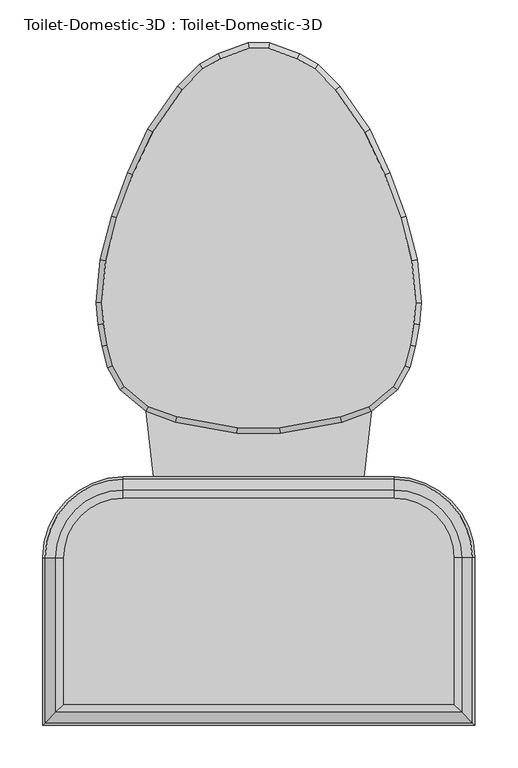
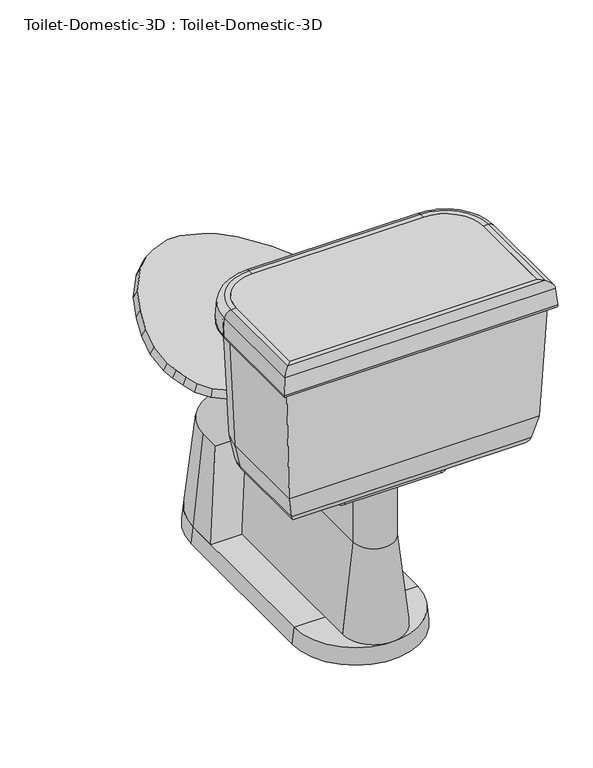
"""IFC4 building model written with IfcOpenShell, lengths in millimetres: flow terminal geometry, Toilet-Domestic-3D : Toilet-Domestic-3D."""

from ifc_helpers import new_model, si_unit, point, frame, frame_2d, origin, place, context, project, spatial, polyline, circle_curve, ellipse_curve, trimmed, segment, composite_curve, outline, extrude, faceted_brep, source, transform, mapped, element, save
from ifc_brep_helpers import plane_surface, cylinder_surface, revolved_surface, advanced_brep


def toilet_domestic_3d_toilet_domestic_3d_a08e12bc(model_context):
    return source(origin(), model_context, "Body", "SolidModel", [
        advanced_brep(
        [(-117.7636364, -285.75, 0.0), (-114.3, -285.75, 31.75), (-38.1, -285.75, 31.75), (-38.1, -285.75, 0.0), (117.7636364, -285.75, 0.0), (38.1, -285.75, 0.0), (38.1, -285.75, 31.75), (114.3, -285.75, 31.75)],
        [
            (0, 1),
            (1, 2),
            (2, 3),
            (3, 0),
            (4, 5),
            (5, 6),
            (6, 7),
            (7, 4),
            (4, 0, circle_curve(frame((0.0, -285.75, 0.0), z_axis=(0.0, 0.0, -1.0), x_axis=(-1.0, 0.0, 0.0)), 117.7636364)),
            (3, 5, circle_curve(frame((0.0, -285.75, 0.0), z_axis=(0.0, 0.0, 1.0), x_axis=(-1.0, 0.0, 0.0)), 38.1)),
            (2, 6, circle_curve(frame((0.0, -285.75, 31.75), z_axis=(0.0, 0.0, 1.0), x_axis=(-1.0, 0.0, 0.0)), 38.1)),
            (1, 7, circle_curve(frame((0.0, -285.75, 31.75), z_axis=(0.0, 0.0, 1.0), x_axis=(-1.0, 0.0, 0.0)), 114.3)),
        ],
        [
            plane_surface(frame((0.0, -285.75, -304.8), z_axis=(0.0, 1.0, 0.0), x_axis=(-1.0, 0.0, 0.0))),
            plane_surface(frame((0.0, -285.75, -304.8), z_axis=(0.0, 1.0, 0.0), x_axis=(1.0, 0.0, 0.0))),
            plane_surface(frame((0.0, -285.75, 0.0), z_axis=(0.0, 0.0, -1.0), x_axis=(-1.0, 0.0, 0.0))),
            revolved_surface(polyline([(-38.1, -285.75, 0.0), (-38.1, -285.75, 31.75)]), (0.0, -285.75, -304.8), (0.0, 0.0, -1.0)),
            plane_surface(frame((0.0, -285.75, 31.75), z_axis=(0.0, 0.0, 1.0), x_axis=(-1.0, 0.0, 0.0))),
            revolved_surface(polyline([(-114.3, -285.75, 31.75), (-117.7636364, -285.75, 0.0)]), (0.0, -285.75, -304.8), (0.0, 0.0, -1.0)),
        ],
        [
            (0, [[1, 2, 3, 4]]),
            (1, [[5, 6, 7, 8]]),
            (2, [[-5, 9, -4, 10]]),
            (3, [[-6, -10, -3, 11]]),
            (4, [[-7, -11, -2, 12]]),
            (5, [[-8, -12, -1, -9]]),
        ],
    ),
        advanced_brep(
        [(-38.1, -342.9, 206.375), (-38.1, -342.9, 31.75), (-57.15, -342.9, 31.75), (38.1, -342.9, 206.375), (57.15, -342.9, 31.75), (38.1, -342.9, 31.75)],
        [
            (0, 1),
            (1, 2),
            (2, 0),
            (3, 4),
            (4, 5),
            (5, 3),
            (3, 0, circle_curve(frame((0.0, -342.9, 206.375), z_axis=(0.0, 0.0, -1.0), x_axis=(-1.0, 0.0, 0.0)), 38.1)),
            (2, 4, circle_curve(frame((0.0, -342.9, 31.75), z_axis=(0.0, 0.0, 1.0), x_axis=(-1.0, 0.0, 0.0)), 57.15)),
            (1, 5, circle_curve(frame((0.0, -342.9, 31.75), z_axis=(0.0, 0.0, 1.0), x_axis=(-1.0, 0.0, 0.0)), 38.1)),
        ],
        [
            plane_surface(frame((0.0, -342.9, 31.75), z_axis=(0.0, 1.0, 0.0), x_axis=(-1.0, 0.0, 0.0))),
            plane_surface(frame((0.0, -342.9, 31.75), z_axis=(0.0, 1.0, 0.0), x_axis=(1.0, 0.0, 0.0))),
            revolved_surface(polyline([(-38.1, -342.9, 206.375), (-57.15, -342.9, 31.75)]), (0.0, -342.9, 31.75), (0.0, 0.0, -1.0)),
            plane_surface(frame((0.0, -342.9, 31.75), z_axis=(0.0, 0.0, -1.0), x_axis=(-1.0, 0.0, 0.0))),
            revolved_surface(polyline([(-38.1, -342.9, 31.75), (-38.1, -342.9, 206.375)]), (0.0, -342.9, 31.75), (0.0, 0.0, -1.0)),
        ],
        [
            (0, [[1, 2, 3]]),
            (1, [[4, 5, 6]]),
            (2, [[-4, 7, -3, 8]]),
            (3, [[-5, -8, -2, 9]]),
            (4, [[-6, -9, -1, -7]]),
        ],
    ),
        faceted_brep([(-157.6293435, -97.472128, 400.05), (-129.0942628, -121.4159037, 400.05), (-95.7755003, -133.5429415, 400.05), (-24.844447, -146.05, 400.05), (24.844447, -146.05, 400.05), (95.7755003, -133.5429415, 400.05), (129.0942628, -121.4159037, 400.05), (157.6293435, -97.472128, 400.05), (171.060664, -73.773864, 400.05), (177.5851102, -49.4242991, 400.05), (181.9845715, -24.4737144, 400.05), (184.125744, 0.0, 400.05), (179.7950716, 49.4998127, 400.05), (166.347, 99.688699, 400.05), (148.0469602, 149.9676451, 400.05), (124.7045808, 200.0255393, 400.05), (90.0971582, 249.9125941, 400.05), (65.691017, 274.3187354, 400.05), (44.8990862, 286.3229622, 400.05), (11.5803237, 298.45, 400.05), (-11.5803237, 298.45, 400.05), (-44.8990862, 286.3229622, 400.05), (-65.691017, 274.3187354, 400.05), (-90.0971582, 249.9125941, 400.05), (-124.7045808, 200.0255393, 400.05), (-148.0469602, 149.9676451, 400.05), (-166.347, 99.688699, 400.05), (-179.7950716, 49.4998127, 400.05), (-184.125744, 0.0, 400.05), (-181.9845715, -24.4737144, 400.05), (-177.5851102, -49.4242991, 400.05), (-171.060664, -73.773864, 400.05), (-162.5887836, -101.6, 387.2181453), (-176.9845865, -76.2, 387.2181453), (-183.790496, -50.8, 387.2181453), (-188.2862441, -25.3033453, 387.2181453), (-190.5, 0.0, 387.2181453), (-186.0724883, 50.6066907, 387.2181453), (-172.4088722, 101.6, 387.2181453), (-153.9191843, 152.4, 387.2181453), (-130.2307553, 203.2, 387.2181453), (-94.9900085, 254.0, 387.2181453), (-69.5900085, 279.4, 387.2181453), (-47.5929632, 292.1, 387.2181453), (-12.7, 304.8, 387.2181453), (12.7, 304.8, 387.2181453), (47.5929632, 292.1, 387.2181453), (69.5900085, 279.4, 387.2181453), (94.9900085, 254.0, 387.2181453), (130.2307553, 203.2, 387.2181453), (153.9191843, 152.4, 387.2181453), (172.4088722, 101.6, 387.2181453), (186.0724883, 50.6066907, 387.2181453), (190.5, 0.0, 387.2181453), (188.2862441, -25.3033453, 387.2181453), (183.790496, -50.8, 387.2181453), (176.9845865, -76.2, 387.2181453), (162.5887836, -101.6, 387.2181453), (132.3182423, -127.0, 387.2181453), (97.4252791, -139.7, 387.2181453), (25.4, -152.4, 387.2181453), (-25.4, -152.4, 387.2181453), (-97.4252791, -139.7, 387.2181453), (-132.3182423, -127.0, 387.2181453)], [[[0, 1, 2, 3, 4, 5, 6, 7, 8, 9, 10, 11, 12, 13, 14, 15, 16, 17, 18, 19, 20, 21, 22, 23, 24, 25, 26, 27, 28, 29, 30, 31]], [[32, 33, 34, 35, 36, 37, 38, 39, 40, 41, 42, 43, 44, 45, 46, 47, 48, 49, 50, 51, 52, 53, 54, 55, 56, 57, 58, 59, 60, 61, 62, 63]], [[32, 0, 31, 33]], [[33, 31, 30, 34]], [[34, 30, 29, 35]], [[35, 29, 28, 36]], [[36, 28, 27, 37]], [[37, 27, 26, 38]], [[38, 26, 25, 39]], [[39, 25, 24, 40]], [[40, 24, 23, 41]], [[41, 23, 22, 42]], [[42, 22, 21, 43]], [[43, 21, 20, 44]], [[44, 20, 19, 45]], [[45, 19, 18, 46]], [[46, 18, 17, 47]], [[47, 17, 16, 48]], [[48, 16, 15, 49]], [[49, 15, 14, 50]], [[50, 14, 13, 51]], [[51, 13, 12, 52]], [[52, 12, 11, 53]], [[53, 11, 10, 54]], [[54, 10, 9, 55]], [[55, 9, 8, 56]], [[56, 8, 7, 57]], [[57, 7, 6, 58]], [[58, 6, 5, 59]], [[59, 5, 4, 60]], [[60, 4, 3, 61]], [[61, 3, 2, 62]], [[62, 2, 1, 63]], [[63, 1, 0, 32]]]),
        extrude(outline(composite_curve([segment(polyline([(228.5868869, -469.8868869), (-228.5868869, -469.8868869), (-228.5868869, -298.45)]), True, "CONTINUOUS"), segment(trimmed(circle_curve(frame_2d((-158.75, -298.45)), 69.8368869), [point((-228.5868869, -298.45))], [point((-158.75, -228.6131131))], False, "CARTESIAN"), True, "CONTINUOUS"), segment(polyline([(-158.75, -228.6131131), (158.75, -228.6131131)]), True, "CONTINUOUS"), segment(trimmed(circle_curve(frame_2d((158.75, -298.45)), 69.8368869), [point((158.75, -228.6131131))], [point((228.5868869, -298.45))], False, "CARTESIAN"), True, "CONTINUOUS"), segment(polyline([(228.5868869, -298.45), (228.5868869, -469.8868869)]), True, "CONTINUOUS")], self_intersect=False)), frame((0.0, 0.0, 654.05), z_axis=(0.0, 0.0, 1.0), x_axis=(1.0, 0.0, 0.0)), (0.0, 0.0, 1.0), 50.8),
        extrude(outline(composite_curve([segment(polyline([(-38.1, -342.9), (38.1, -342.9)]), True, "CONTINUOUS"), segment(trimmed(circle_curve(frame_2d((0.0, -342.9)), 38.1), [point((38.1, -342.9))], [point((-38.1, -342.9))], False, "CARTESIAN"), True, "CONTINUOUS")], self_intersect=False)), frame((0.0, 0.0, 206.375), z_axis=(0.0, 0.0, 1.0), x_axis=(1.0, 0.0, 0.0)), (0.0, 0.0, 1.0), 130.175),
        advanced_brep(
        [(177.8, -419.1, 387.2181453), (177.8, -298.45, 387.2181453), (177.8, -298.45, 374.65), (177.8, -419.1, 374.65), (192.8020829, -434.1020829, 387.2181453), (192.8020829, -298.45, 387.2181453), (211.4650931, -452.7650931, 402.4478636), (211.4650931, -298.45, 402.4478636), (218.7732506, -460.0732506, 438.15), (218.7732506, -298.45, 438.15), (228.5868869, -469.8868869, 654.05), (228.5868869, -298.45, 654.05), (228.5868869, -469.8868869, 704.85), (228.5868869, -298.45, 704.85), (237.91817, -479.21817, 704.85), (237.91817, -298.45, 704.85), (250.5698426, -491.8698426, 693.2568779), (250.5698426, -298.45, 693.2568779), (253.3960274, -494.6960274, 660.953439), (253.3960274, -298.45, 660.953439), (247.070191, -488.370191, 654.05), (247.070191, -298.45, 654.05), (241.3, -482.6, 654.05), (241.3, -298.45, 654.05), (231.4863636, -472.7863636, 438.15), (231.4863636, -298.45, 438.15), (222.3416824, -463.6416824, 393.4759963), (222.3416824, -298.45, 393.4759963), (197.8071664, -439.1071664, 374.65), (197.8071664, -298.45, 374.65), (158.75, -279.4, 387.2181453), (158.75, -279.4, 374.65), (158.75, -264.3979171, 387.2181453), (158.75, -245.7349069, 402.4478636), (158.75, -238.4267494, 438.15), (158.75, -228.6131131, 654.05), (158.75, -228.6131131, 704.85), (158.75, -219.28183, 704.85), (158.75, -206.6301574, 693.2568779), (158.75, -203.8039726, 660.953439), (158.75, -210.129809, 654.05), (158.75, -215.9, 654.05), (158.75, -225.7136364, 438.15), (158.75, -234.8583176, 393.4759963), (158.75, -259.3928336, 374.65), (-158.75, -279.4, 387.2181453), (-158.75, -279.4, 374.65), (-158.75, -264.3979171, 387.2181453), (-158.75, -245.7349069, 402.4478636), (-158.75, -238.4267494, 438.15), (-158.75, -228.6131131, 654.05), (-158.75, -228.6131131, 704.85), (-158.75, -219.28183, 704.85), (-158.75, -206.6301574, 693.2568779), (-158.75, -203.8039726, 660.953439), (-158.75, -210.129809, 654.05), (-158.75, -215.9, 654.05), (-158.75, -225.7136364, 438.15), (-158.75, -234.8583176, 393.4759963), (-158.75, -259.3928336, 374.65), (-177.8, -298.45, 387.2181453), (-177.8, -298.45, 374.65), (-192.8020829, -298.45, 387.2181453), (-211.4650931, -298.45, 402.4478636), (-218.7732506, -298.45, 438.15), (-228.5868869, -298.45, 654.05), (-228.5868869, -298.45, 704.85), (-237.91817, -298.45, 704.85), (-250.5698426, -298.45, 693.2568779), (-253.3960274, -298.45, 660.953439), (-247.070191, -298.45, 654.05), (-241.3, -298.45, 654.05), (-231.4863636, -298.45, 438.15), (-222.3416824, -298.45, 393.4759963), (-197.8071664, -298.45, 374.65), (-177.8, -419.1, 387.2181453), (-177.8, -419.1, 374.65), (-192.8020829, -434.1020829, 387.2181453), (-211.4650931, -452.7650931, 402.4478636), (-218.7732506, -460.0732506, 438.15), (-228.5868869, -469.8868869, 654.05), (-228.5868869, -469.8868869, 704.85), (-237.91817, -479.21817, 704.85), (-250.5698426, -491.8698426, 693.2568779), (-253.3960274, -494.6960274, 660.953439), (-247.070191, -488.370191, 654.05), (-241.3, -482.6, 654.05), (-231.4863636, -472.7863636, 438.15), (-222.3416824, -463.6416824, 393.4759963), (-197.8071664, -439.1071664, 374.65)],
        [
            (0, 1),
            (1, 2),
            (2, 3),
            (3, 0),
            (4, 5),
            (5, 1),
            (0, 4),
            (6, 7),
            (7, 5, circle_curve(frame((192.8020829, -298.45, 406.2681453), z_axis=(0.0, 1.0, 0.0), x_axis=(1.0, 0.0, 0.0)), 19.05)),
            (4, 6, ellipse_curve(frame((192.8020829, -434.1020829, 406.2681453), z_axis=(-0.7071067811865451, -0.7071067811865498, 0.0), x_axis=(-0.7071067811865497, 0.7071067811865452, 0.0)), 26.9407684, 19.05)),
            (8, 9),
            (9, 7),
            (6, 8),
            (10, 11),
            (11, 9),
            (8, 10),
            (12, 13),
            (13, 11),
            (10, 12),
            (14, 15),
            (15, 13),
            (12, 14),
            (16, 17),
            (17, 15, circle_curve(frame((237.91817, -298.45, 692.15), z_axis=(0.0, -1.0, 0.0), x_axis=(1.0, 0.0, 0.0)), 12.7)),
            (14, 16, ellipse_curve(frame((237.91817, -479.21817, 692.15), z_axis=(0.7071067811865451, 0.7071067811865498, 0.0), x_axis=(0.7071067811865497, -0.7071067811865452, 0.0)), 17.9605122, 12.7)),
            (18, 19),
            (19, 17),
            (16, 18),
            (20, 21),
            (21, 19, circle_curve(frame((247.070191, -298.45, 660.4), z_axis=(0.0, -1.0, 0.0), x_axis=(1.0, 0.0, 0.0)), 6.35)),
            (18, 20, ellipse_curve(frame((247.070191, -488.370191, 660.4), z_axis=(0.7071067811865451, 0.7071067811865498, 0.0), x_axis=(0.7071067811865497, -0.7071067811865452, 0.0)), 8.9802561, 6.35)),
            (22, 23),
            (23, 21),
            (20, 22),
            (24, 25),
            (25, 23),
            (22, 24),
            (26, 27),
            (27, 25),
            (24, 26),
            (28, 29),
            (29, 27, circle_curve(frame((197.8071664, -298.45, 400.05), z_axis=(0.0, -1.0, 0.0), x_axis=(1.0, 0.0, 0.0)), 25.4)),
            (26, 28, ellipse_curve(frame((197.8071664, -439.1071664, 400.05), z_axis=(0.7071067811865451, 0.7071067811865498, 0.0), x_axis=(0.7071067811865497, -0.7071067811865452, 0.0)), 35.9210245, 25.4)),
            (2, 29),
            (28, 3),
            (30, 31),
            (31, 2, circle_curve(frame((158.75, -298.45, 374.65), z_axis=(0.0, 0.0, -1.0), x_axis=(1.0, 0.0, 0.0)), 19.05)),
            (1, 30, circle_curve(frame((158.75, -298.45, 387.2181453), z_axis=(0.0, 0.0, 1.0), x_axis=(1.0, 0.0, 0.0)), 19.05)),
            (32, 30),
            (5, 32, circle_curve(frame((158.75, -298.45, 387.2181453), z_axis=(0.0, 0.0, 1.0), x_axis=(1.0, 0.0, 0.0)), 34.0520829)),
            (33, 32, circle_curve(frame((158.75, -264.3979171, 406.2681453), z_axis=(-1.0, 0.0, 0.0), x_axis=(0.0, 1.0, 0.0)), 19.05)),
            (7, 33, circle_curve(frame((158.75, -298.45, 402.4478636), z_axis=(0.0, 0.0, 1.0), x_axis=(1.0, 0.0, 0.0)), 52.7150931)),
            (34, 33),
            (9, 34, circle_curve(frame((158.75, -298.45, 438.15), z_axis=(0.0, 0.0, 1.0), x_axis=(1.0, 0.0, 0.0)), 60.0232506)),
            (35, 34),
            (11, 35, circle_curve(frame((158.75, -298.45, 654.05), z_axis=(0.0, 0.0, 1.0), x_axis=(1.0, 0.0, 0.0)), 69.8368869)),
            (36, 35),
            (13, 36, circle_curve(frame((158.75, -298.45, 704.85), z_axis=(0.0, 0.0, 1.0), x_axis=(1.0, 0.0, 0.0)), 69.8368869)),
            (37, 36),
            (15, 37, circle_curve(frame((158.75, -298.45, 704.85), z_axis=(0.0, 0.0, 1.0), x_axis=(1.0, 0.0, 0.0)), 79.16817)),
            (38, 37, circle_curve(frame((158.75, -219.28183, 692.15), z_axis=(1.0, 0.0, 0.0), x_axis=(0.0, 1.0, 0.0)), 12.7)),
            (17, 38, circle_curve(frame((158.75, -298.45, 693.2568779), z_axis=(0.0, 0.0, 1.0), x_axis=(1.0, 0.0, 0.0)), 91.8198426)),
            (39, 38),
            (19, 39, circle_curve(frame((158.75, -298.45, 660.953439), z_axis=(0.0, 0.0, 1.0), x_axis=(1.0, 0.0, 0.0)), 94.6460274)),
            (40, 39, circle_curve(frame((158.75, -210.129809, 660.4), z_axis=(1.0, 0.0, 0.0), x_axis=(0.0, 1.0, 0.0)), 6.35)),
            (21, 40, circle_curve(frame((158.75, -298.45, 654.05), z_axis=(0.0, 0.0, 1.0), x_axis=(1.0, 0.0, 0.0)), 88.320191)),
            (41, 40),
            (23, 41, circle_curve(frame((158.75, -298.45, 654.05), z_axis=(0.0, 0.0, 1.0), x_axis=(1.0, 0.0, 0.0)), 82.55)),
            (42, 41),
            (25, 42, circle_curve(frame((158.75, -298.45, 438.15), z_axis=(0.0, 0.0, 1.0), x_axis=(1.0, 0.0, 0.0)), 72.7363636)),
            (43, 42),
            (27, 43, circle_curve(frame((158.75, -298.45, 393.4759963), z_axis=(0.0, 0.0, 1.0), x_axis=(1.0, 0.0, 0.0)), 63.5916824)),
            (44, 43, circle_curve(frame((158.75, -259.3928336, 400.05), z_axis=(1.0, 0.0, 0.0), x_axis=(0.0, 1.0, 0.0)), 25.4)),
            (29, 44, circle_curve(frame((158.75, -298.45, 374.65), z_axis=(0.0, 0.0, 1.0), x_axis=(1.0, 0.0, 0.0)), 39.0571664)),
            (31, 44),
            (30, 45),
            (45, 46),
            (46, 31),
            (32, 47),
            (47, 45),
            (33, 48),
            (48, 47, circle_curve(frame((-158.75, -264.3979171, 406.2681453), z_axis=(-1.0, 0.0, 0.0), x_axis=(0.0, 1.0, 0.0)), 19.05)),
            (34, 49),
            (49, 48),
            (35, 50),
            (50, 49),
            (36, 51),
            (51, 50),
            (37, 52),
            (52, 51),
            (38, 53),
            (53, 52, circle_curve(frame((-158.75, -219.28183, 692.15), z_axis=(1.0, 0.0, 0.0), x_axis=(0.0, 1.0, 0.0)), 12.7)),
            (39, 54),
            (54, 53),
            (40, 55),
            (55, 54, circle_curve(frame((-158.75, -210.129809, 660.4), z_axis=(1.0, 0.0, 0.0), x_axis=(0.0, 1.0, 0.0)), 6.35)),
            (41, 56),
            (56, 55),
            (42, 57),
            (57, 56),
            (43, 58),
            (58, 57),
            (44, 59),
            (59, 58, circle_curve(frame((-158.75, -259.3928336, 400.05), z_axis=(1.0, 0.0, 0.0), x_axis=(0.0, 1.0, 0.0)), 25.4)),
            (46, 59),
            (60, 61),
            (61, 46, circle_curve(frame((-158.75, -298.45, 374.65), z_axis=(0.0, 0.0, -1.0), x_axis=(0.0, 1.0, 0.0)), 19.05)),
            (45, 60, circle_curve(frame((-158.75, -298.45, 387.2181453), z_axis=(0.0, 0.0, 1.0), x_axis=(0.0, 1.0, 0.0)), 19.05)),
            (62, 60),
            (47, 62, circle_curve(frame((-158.75, -298.45, 387.2181453), z_axis=(0.0, 0.0, 1.0), x_axis=(0.0, 1.0, 0.0)), 34.0520829)),
            (63, 62, circle_curve(frame((-192.8020829, -298.45, 406.2681453), z_axis=(0.0, -1.0, 0.0), x_axis=(-1.0, 0.0, 0.0)), 19.05)),
            (48, 63, circle_curve(frame((-158.75, -298.45, 402.4478636), z_axis=(0.0, 0.0, 1.0), x_axis=(0.0, 1.0, 0.0)), 52.7150931)),
            (64, 63),
            (49, 64, circle_curve(frame((-158.75, -298.45, 438.15), z_axis=(0.0, 0.0, 1.0), x_axis=(0.0, 1.0, 0.0)), 60.0232506)),
            (65, 64),
            (50, 65, circle_curve(frame((-158.75, -298.45, 654.05), z_axis=(0.0, 0.0, 1.0), x_axis=(0.0, 1.0, 0.0)), 69.8368869)),
            (66, 65),
            (51, 66, circle_curve(frame((-158.75, -298.45, 704.85), z_axis=(0.0, 0.0, 1.0), x_axis=(0.0, 1.0, 0.0)), 69.8368869)),
            (67, 66),
            (52, 67, circle_curve(frame((-158.75, -298.45, 704.85), z_axis=(0.0, 0.0, 1.0), x_axis=(0.0, 1.0, 0.0)), 79.16817)),
            (68, 67, circle_curve(frame((-237.91817, -298.45, 692.15), z_axis=(0.0, 1.0, 0.0), x_axis=(-1.0, 0.0, 0.0)), 12.7)),
            (53, 68, circle_curve(frame((-158.75, -298.45, 693.2568779), z_axis=(0.0, 0.0, 1.0), x_axis=(0.0, 1.0, 0.0)), 91.8198426)),
            (69, 68),
            (54, 69, circle_curve(frame((-158.75, -298.45, 660.953439), z_axis=(0.0, 0.0, 1.0), x_axis=(0.0, 1.0, 0.0)), 94.6460274)),
            (70, 69, circle_curve(frame((-247.070191, -298.45, 660.4), z_axis=(0.0, 1.0, 0.0), x_axis=(-1.0, 0.0, 0.0)), 6.35)),
            (55, 70, circle_curve(frame((-158.75, -298.45, 654.05), z_axis=(0.0, 0.0, 1.0), x_axis=(0.0, 1.0, 0.0)), 88.320191)),
            (71, 70),
            (56, 71, circle_curve(frame((-158.75, -298.45, 654.05), z_axis=(0.0, 0.0, 1.0), x_axis=(0.0, 1.0, 0.0)), 82.55)),
            (72, 71),
            (57, 72, circle_curve(frame((-158.75, -298.45, 438.15), z_axis=(0.0, 0.0, 1.0), x_axis=(0.0, 1.0, 0.0)), 72.7363636)),
            (73, 72),
            (58, 73, circle_curve(frame((-158.75, -298.45, 393.4759963), z_axis=(0.0, 0.0, 1.0), x_axis=(0.0, 1.0, 0.0)), 63.5916824)),
            (74, 73, circle_curve(frame((-197.8071664, -298.45, 400.05), z_axis=(0.0, 1.0, 0.0), x_axis=(-1.0, 0.0, 0.0)), 25.4)),
            (59, 74, circle_curve(frame((-158.75, -298.45, 374.65), z_axis=(0.0, 0.0, 1.0), x_axis=(0.0, 1.0, 0.0)), 39.0571664)),
            (61, 74),
            (60, 75),
            (75, 76),
            (76, 61),
            (62, 77),
            (77, 75),
            (63, 78),
            (78, 77, ellipse_curve(frame((-192.8020829, -434.1020829, 406.2681453), z_axis=(0.7071067811865498, -0.7071067811865451, 0.0), x_axis=(-0.7071067811865451, -0.70710678118655, 0.0)), 26.9407684, 19.05)),
            (64, 79),
            (79, 78),
            (65, 80),
            (80, 79),
            (66, 81),
            (81, 80),
            (67, 82),
            (82, 81),
            (68, 83),
            (83, 82, ellipse_curve(frame((-237.91817, -479.21817, 692.15), z_axis=(-0.7071067811865498, 0.7071067811865451, 0.0), x_axis=(0.7071067811865451, 0.70710678118655, 0.0)), 17.9605122, 12.7)),
            (69, 84),
            (84, 83),
            (70, 85),
            (85, 84, ellipse_curve(frame((-247.070191, -488.370191, 660.4), z_axis=(-0.7071067811865498, 0.7071067811865451, 0.0), x_axis=(0.7071067811865451, 0.70710678118655, 0.0)), 8.9802561, 6.35)),
            (71, 86),
            (86, 85),
            (72, 87),
            (87, 86),
            (73, 88),
            (88, 87),
            (74, 89),
            (89, 88, ellipse_curve(frame((-197.8071664, -439.1071664, 400.05), z_axis=(-0.7071067811865498, 0.7071067811865451, 0.0), x_axis=(0.7071067811865451, 0.70710678118655, 0.0)), 35.9210245, 25.4)),
            (76, 89),
            (75, 0),
            (3, 76),
            (77, 4),
            (78, 6),
            (79, 8),
            (80, 10),
            (81, 12),
            (82, 14),
            (83, 16),
            (84, 18),
            (85, 20),
            (86, 22),
            (87, 24),
            (88, 26),
            (89, 28),
        ],
        [
            plane_surface(frame((177.8, -419.1, 374.65), z_axis=(-1.0, 0.0, 0.0), x_axis=(0.0, 1.0, 0.0))),
            plane_surface(frame((177.8, -419.1, 387.2181453), z_axis=(0.0, 0.0, 1.0), x_axis=(0.0, 1.0, 0.0))),
            revolved_surface(polyline([(211.8520829, -298.45, 406.2681453), (211.8520829, -453.1520829260162, 406.2681453)]), (192.8020829, -419.1, 406.2681453), (0.0, 1.0, 0.0)),
            plane_surface(frame((211.4650931, -452.7650931, 402.4478636), z_axis=(-0.9796855721787505, 0.0, 0.2005397209153197), x_axis=(0.0, 1.0, 0.0))),
            plane_surface(frame((218.7732506, -460.0732506, 438.15), z_axis=(-0.9989685402102995, 0.0, 0.045407660918654086), x_axis=(0.0, 1.0, 0.0))),
            plane_surface(frame((228.5868869, -469.8868869, 654.05), z_axis=(-1.0, 0.0, 0.0), x_axis=(0.0, 1.0, 0.0))),
            plane_surface(frame((228.5868869, -469.8868869, 704.85), z_axis=(0.0, 0.0, 1.0), x_axis=(0.0, 1.0, 0.0))),
            cylinder_surface(frame((237.91817, -419.1, 692.15), z_axis=(0.0, -1.0, 0.0), x_axis=(1.0, 0.0, 0.0)), 12.7),
            plane_surface(frame((250.5698426, -491.8698426, 693.2568779), z_axis=(0.9961946980917452, 0.0, 0.08715574274766269), x_axis=(0.0, 1.0, 0.0))),
            cylinder_surface(frame((247.070191, -419.1, 660.4), z_axis=(0.0, -1.0, 0.0), x_axis=(1.0, 0.0, 0.0)), 6.35),
            plane_surface(frame((247.070191, -488.370191, 654.05), z_axis=(0.0, 0.0, -1.0), x_axis=(0.0, 1.0, 0.0))),
            plane_surface(frame((241.3, -482.6, 654.05), z_axis=(0.9989685402102993, 0.0, -0.04540766091865594), x_axis=(0.0, 1.0, 0.0))),
            plane_surface(frame((231.4863636, -472.7863636, 438.15), z_axis=(0.9796855721787489, 0.0, -0.20053972091532798), x_axis=(0.0, 1.0, 0.0))),
            cylinder_surface(frame((197.8071664, -419.1, 400.05), z_axis=(0.0, -1.0, 0.0), x_axis=(1.0, 0.0, 0.0)), 25.4),
            plane_surface(frame((197.8071664, -439.1071664, 374.65), z_axis=(0.0, 0.0, -1.0), x_axis=(0.0, 1.0, 0.0))),
            revolved_surface(polyline([(177.8, -298.45, 374.65), (177.8, -298.45, 387.2181453)]), (158.75, -298.45, 0.0), (0.0, 0.0, -1.0)),
            plane_surface(frame((158.75, -298.45, 387.2181453), z_axis=(0.0, 0.0, 1.0), x_axis=(1.0, 0.0, 0.0))),
            revolved_surface(trimmed(ellipse_curve(frame((192.8020829, -298.45, 406.2681453), z_axis=(0.0, -1.0, 0.0), x_axis=(1.0, 0.0, 0.0)), 19.05, 19.05), [point((192.8020829, -298.45, 387.2181453))], [point((211.4650931, -298.45, 402.4478636))], True, "CARTESIAN"), (158.75, -298.45, 0.0), (0.0, 0.0, -1.0)),
            revolved_surface(polyline([(211.4650931, -298.45, 402.4478636), (218.7732506, -298.45, 438.15)]), (158.75, -298.45, 0.0), (0.0, 0.0, -1.0)),
            revolved_surface(polyline([(218.7732506, -298.45, 438.15), (228.5868869, -298.45, 654.05)]), (158.75, -298.45, 0.0), (0.0, 0.0, -1.0)),
            revolved_surface(polyline([(228.5868869, -298.45, 654.05), (228.5868869, -298.45, 704.85)]), (158.75, -298.45, 0.0), (0.0, 0.0, -1.0)),
            plane_surface(frame((158.75, -298.45, 704.85), z_axis=(0.0, 0.0, 1.0), x_axis=(1.0, 0.0, 0.0))),
            revolved_surface(trimmed(ellipse_curve(frame((237.91817, -298.45, 692.15), z_axis=(0.0, 1.0, 0.0), x_axis=(1.0, 0.0, 0.0)), 12.7, 12.7), [point((237.91817, -298.45, 704.85))], [point((250.5698426, -298.45, 693.2568779))], True, "CARTESIAN"), (158.75, -298.45, 0.0), (0.0, 0.0, -1.0)),
            revolved_surface(polyline([(250.5698426, -298.45, 693.2568779), (253.3960274, -298.45, 660.953439)]), (158.75, -298.45, 0.0), (0.0, 0.0, -1.0)),
            revolved_surface(trimmed(ellipse_curve(frame((247.070191, -298.45, 660.4), z_axis=(0.0, 1.0, 0.0), x_axis=(1.0, 0.0, 0.0)), 6.35, 6.35), [point((253.3960274, -298.45, 660.953439))], [point((247.070191, -298.45, 654.05))], True, "CARTESIAN"), (158.75, -298.45, 0.0), (0.0, 0.0, -1.0)),
            plane_surface(frame((158.75, -298.45, 654.05), z_axis=(0.0, 0.0, -1.0), x_axis=(1.0, 0.0, 0.0))),
            revolved_surface(polyline([(241.3, -298.45, 654.05), (231.4863636, -298.45, 438.15)]), (158.75, -298.45, 0.0), (0.0, 0.0, -1.0)),
            revolved_surface(polyline([(231.4863636, -298.45, 438.15), (222.3416824, -298.45, 393.4759963)]), (158.75, -298.45, 0.0), (0.0, 0.0, -1.0)),
            revolved_surface(trimmed(ellipse_curve(frame((197.8071664, -298.45, 400.05), z_axis=(0.0, 1.0, 0.0), x_axis=(1.0, 0.0, 0.0)), 25.4, 25.4), [point((222.3416824, -298.45, 393.4759963))], [point((197.8071664, -298.45, 374.65))], True, "CARTESIAN"), (158.75, -298.45, 0.0), (0.0, 0.0, -1.0)),
            plane_surface(frame((158.75, -298.45, 374.65), z_axis=(0.0, 0.0, -1.0), x_axis=(1.0, 0.0, 0.0))),
            plane_surface(frame((158.75, -279.4, 374.65), z_axis=(0.0, -1.0, 0.0), x_axis=(-1.0, 0.0, 0.0))),
            plane_surface(frame((158.75, -279.4, 387.2181453), z_axis=(0.0, 0.0, 1.0), x_axis=(-1.0, 0.0, 0.0))),
            revolved_surface(polyline([(-158.75, -245.34791709999996, 406.2681453), (158.75, -245.34791709999996, 406.2681453)]), (158.75, -264.3979171, 406.2681453), (-1.0, 0.0, 0.0)),
            plane_surface(frame((158.75, -245.7349069, 402.4478636), z_axis=(0.0, -0.9796855721787505, 0.2005397209153197), x_axis=(-1.0, 0.0, 0.0))),
            plane_surface(frame((158.75, -238.4267494, 438.15), z_axis=(0.0, -0.9989685402102995, 0.045407660918654086), x_axis=(-1.0, 0.0, 0.0))),
            plane_surface(frame((158.75, -228.6131131, 654.05), z_axis=(0.0, -1.0, 0.0), x_axis=(-1.0, 0.0, 0.0))),
            plane_surface(frame((158.75, -228.6131131, 704.85), z_axis=(0.0, 0.0, 1.0), x_axis=(-1.0, 0.0, 0.0))),
            cylinder_surface(frame((158.75, -219.28183, 692.15), z_axis=(1.0, 0.0, 0.0), x_axis=(0.0, 1.0, 0.0)), 12.7),
            plane_surface(frame((158.75, -206.6301574, 693.2568779), z_axis=(0.0, 0.9961946980917452, 0.08715574274766269), x_axis=(-1.0, 0.0, 0.0))),
            cylinder_surface(frame((158.75, -210.129809, 660.4), z_axis=(1.0, 0.0, 0.0), x_axis=(0.0, 1.0, 0.0)), 6.35),
            plane_surface(frame((158.75, -210.129809, 654.05), z_axis=(0.0, 0.0, -1.0), x_axis=(-1.0, 0.0, 0.0))),
            plane_surface(frame((158.75, -215.9, 654.05), z_axis=(0.0, 0.9989685402102993, -0.04540766091865594), x_axis=(-1.0, 0.0, 0.0))),
            plane_surface(frame((158.75, -225.7136364, 438.15), z_axis=(0.0, 0.9796855721787489, -0.20053972091532798), x_axis=(-1.0, 0.0, 0.0))),
            cylinder_surface(frame((158.75, -259.3928336, 400.05), z_axis=(1.0, 0.0, 0.0), x_axis=(0.0, 1.0, 0.0)), 25.4),
            plane_surface(frame((158.75, -259.3928336, 374.65), z_axis=(0.0, 0.0, -1.0), x_axis=(-1.0, 0.0, 0.0))),
            revolved_surface(polyline([(-158.75, -279.4, 374.65), (-158.75, -279.4, 387.2181453)]), (-158.75, -298.45, 0.0), (0.0, 0.0, -1.0)),
            plane_surface(frame((-158.75, -298.45, 387.2181453), z_axis=(0.0, 0.0, 1.0), x_axis=(0.0, 1.0, 0.0))),
            revolved_surface(trimmed(ellipse_curve(frame((-158.75, -264.3979171, 406.2681453), z_axis=(1.0, 0.0, 0.0), x_axis=(0.0, 1.0, 0.0)), 19.05, 19.05), [point((-158.75, -264.3979171, 387.2181453))], [point((-158.75, -245.7349069, 402.4478636))], True, "CARTESIAN"), (-158.75, -298.45, 0.0), (0.0, 0.0, -1.0)),
            revolved_surface(polyline([(-158.75, -245.7349069, 402.4478636), (-158.75, -238.4267494, 438.15)]), (-158.75, -298.45, 0.0), (0.0, 0.0, -1.0)),
            revolved_surface(polyline([(-158.75, -238.4267494, 438.15), (-158.75, -228.6131131, 654.05)]), (-158.75, -298.45, 0.0), (0.0, 0.0, -1.0)),
            revolved_surface(polyline([(-158.75, -228.6131131, 654.05), (-158.75, -228.6131131, 704.85)]), (-158.75, -298.45, 0.0), (0.0, 0.0, -1.0)),
            plane_surface(frame((-158.75, -298.45, 704.85), z_axis=(0.0, 0.0, 1.0), x_axis=(0.0, 1.0, 0.0))),
            revolved_surface(trimmed(ellipse_curve(frame((-158.75, -219.28183, 692.15), z_axis=(-1.0, 0.0, 0.0), x_axis=(0.0, 1.0, 0.0)), 12.7, 12.7), [point((-158.75, -219.28183, 704.85))], [point((-158.75, -206.6301574, 693.2568779))], True, "CARTESIAN"), (-158.75, -298.45, 0.0), (0.0, 0.0, -1.0)),
            revolved_surface(polyline([(-158.75, -206.6301574, 693.2568779), (-158.75, -203.8039726, 660.953439)]), (-158.75, -298.45, 0.0), (0.0, 0.0, -1.0)),
            revolved_surface(trimmed(ellipse_curve(frame((-158.75, -210.129809, 660.4), z_axis=(-1.0, 0.0, 0.0), x_axis=(0.0, 1.0, 0.0)), 6.35, 6.35), [point((-158.75, -203.8039726, 660.953439))], [point((-158.75, -210.129809, 654.05))], True, "CARTESIAN"), (-158.75, -298.45, 0.0), (0.0, 0.0, -1.0)),
            plane_surface(frame((-158.75, -298.45, 654.05), z_axis=(0.0, 0.0, -1.0), x_axis=(0.0, 1.0, 0.0))),
            revolved_surface(polyline([(-158.75, -215.9, 654.05), (-158.75, -225.7136364, 438.15)]), (-158.75, -298.45, 0.0), (0.0, 0.0, -1.0)),
            revolved_surface(polyline([(-158.75, -225.7136364, 438.15), (-158.75, -234.8583176, 393.4759963)]), (-158.75, -298.45, 0.0), (0.0, 0.0, -1.0)),
            revolved_surface(trimmed(ellipse_curve(frame((-158.75, -259.3928336, 400.05), z_axis=(-1.0, 0.0, 0.0), x_axis=(0.0, 1.0, 0.0)), 25.4, 25.4), [point((-158.75, -234.8583176, 393.4759963))], [point((-158.75, -259.3928336, 374.65))], True, "CARTESIAN"), (-158.75, -298.45, 0.0), (0.0, 0.0, -1.0)),
            plane_surface(frame((-158.75, -298.45, 374.65), z_axis=(0.0, 0.0, -1.0), x_axis=(0.0, 1.0, 0.0))),
            plane_surface(frame((-177.8, -298.45, 374.65), z_axis=(1.0, 0.0, 0.0), x_axis=(0.0, -1.0, 0.0))),
            plane_surface(frame((-177.8, -298.45, 387.2181453), z_axis=(0.0, 0.0, 1.0), x_axis=(0.0, -1.0, 0.0))),
            revolved_surface(polyline([(-211.8520829, -453.15208292601636, 406.2681453), (-211.8520829, -298.45, 406.2681453)]), (-192.8020829, -298.45, 406.2681453), (0.0, -1.0, 0.0)),
            plane_surface(frame((-211.4650931, -298.45, 402.4478636), z_axis=(0.9796855721787505, 0.0, 0.2005397209153197), x_axis=(0.0, -1.0, 0.0))),
            plane_surface(frame((-218.7732506, -298.45, 438.15), z_axis=(0.9989685402102995, 0.0, 0.045407660918654086), x_axis=(0.0, -1.0, 0.0))),
            plane_surface(frame((-228.5868869, -298.45, 654.05), z_axis=(1.0, 0.0, 0.0), x_axis=(0.0, -1.0, 0.0))),
            plane_surface(frame((-228.5868869, -298.45, 704.85), z_axis=(0.0, 0.0, 1.0), x_axis=(0.0, -1.0, 0.0))),
            cylinder_surface(frame((-237.91817, -298.45, 692.15), z_axis=(0.0, 1.0, 0.0), x_axis=(-1.0, 0.0, 0.0)), 12.7),
            plane_surface(frame((-250.5698426, -298.45, 693.2568779), z_axis=(-0.9961946980917452, 0.0, 0.08715574274766269), x_axis=(0.0, -1.0, 0.0))),
            cylinder_surface(frame((-247.070191, -298.45, 660.4), z_axis=(0.0, 1.0, 0.0), x_axis=(-1.0, 0.0, 0.0)), 6.35),
            plane_surface(frame((-247.070191, -298.45, 654.05), z_axis=(0.0, 0.0, -1.0), x_axis=(0.0, -1.0, 0.0))),
            plane_surface(frame((-241.3, -298.45, 654.05), z_axis=(-0.9989685402102993, 0.0, -0.04540766091865594), x_axis=(0.0, -1.0, 0.0))),
            plane_surface(frame((-231.4863636, -298.45, 438.15), z_axis=(-0.9796855721787489, 0.0, -0.20053972091532798), x_axis=(0.0, -1.0, 0.0))),
            cylinder_surface(frame((-197.8071664, -298.45, 400.05), z_axis=(0.0, 1.0, 0.0), x_axis=(-1.0, 0.0, 0.0)), 25.4),
            plane_surface(frame((-197.8071664, -298.45, 374.65), z_axis=(0.0, 0.0, -1.0), x_axis=(0.0, -1.0, 0.0))),
            plane_surface(frame((-177.8, -419.1, 374.65), z_axis=(0.0, 1.0, 0.0), x_axis=(1.0, 0.0, 0.0))),
            plane_surface(frame((-177.8, -419.1, 387.2181453), z_axis=(0.0, 0.0, 1.0), x_axis=(1.0, 0.0, 0.0))),
            revolved_surface(polyline([(211.85208292601635, -453.15208290000004, 406.2681453), (-211.85208292601618, -453.15208290000004, 406.2681453)]), (-177.8, -434.1020829, 406.2681453), (1.0, 0.0, 0.0)),
            plane_surface(frame((-211.4650931, -452.7650931, 402.4478636), z_axis=(0.0, 0.9796855721787505, 0.2005397209153197), x_axis=(1.0, 0.0, 0.0))),
            plane_surface(frame((-218.7732506, -460.0732506, 438.15), z_axis=(0.0, 0.9989685402102995, 0.045407660918654086), x_axis=(1.0, 0.0, 0.0))),
            plane_surface(frame((-228.5868869, -469.8868869, 654.05), z_axis=(0.0, 1.0, 0.0), x_axis=(1.0, 0.0, 0.0))),
            plane_surface(frame((-228.5868869, -469.8868869, 704.85), z_axis=(0.0, 0.0, 1.0), x_axis=(1.0, 0.0, 0.0))),
            cylinder_surface(frame((-177.8, -479.21817, 692.15), z_axis=(-1.0, 0.0, 0.0), x_axis=(0.0, -1.0, 0.0)), 12.7),
            plane_surface(frame((-250.5698426, -491.8698426, 693.2568779), z_axis=(0.0, -0.9961946980917452, 0.08715574274766269), x_axis=(1.0, 0.0, 0.0))),
            cylinder_surface(frame((-177.8, -488.370191, 660.4), z_axis=(-1.0, 0.0, 0.0), x_axis=(0.0, -1.0, 0.0)), 6.35),
            plane_surface(frame((-247.070191, -488.370191, 654.05), z_axis=(0.0, 0.0, -1.0), x_axis=(1.0, 0.0, 0.0))),
            plane_surface(frame((-241.3, -482.6, 654.05), z_axis=(0.0, -0.9989685402102993, -0.04540766091865594), x_axis=(1.0, 0.0, 0.0))),
            plane_surface(frame((-231.4863636, -472.7863636, 438.15), z_axis=(0.0, -0.9796855721787489, -0.20053972091532798), x_axis=(1.0, 0.0, 0.0))),
            cylinder_surface(frame((-177.8, -439.1071664, 400.05), z_axis=(-1.0, 0.0, 0.0), x_axis=(0.0, -1.0, 0.0)), 25.4),
            plane_surface(frame((-197.8071664, -439.1071664, 374.65), z_axis=(0.0, 0.0, -1.0), x_axis=(1.0, 0.0, 0.0))),
        ],
        [
            (0, [[1, 2, 3, 4]]),
            (1, [[5, 6, -1, 7]]),
            (2, [[8, 9, -5, 10]]),
            (3, [[11, 12, -8, 13]]),
            (4, [[14, 15, -11, 16]]),
            (5, [[17, 18, -14, 19]]),
            (6, [[20, 21, -17, 22]]),
            (7, [[23, 24, -20, 25]]),
            (8, [[26, 27, -23, 28]]),
            (9, [[29, 30, -26, 31]]),
            (10, [[32, 33, -29, 34]]),
            (11, [[35, 36, -32, 37]]),
            (12, [[38, 39, -35, 40]]),
            (13, [[41, 42, -38, 43]]),
            (14, [[-3, 44, -41, 45]]),
            (15, [[46, 47, -2, 48]]),
            (16, [[49, -48, -6, 50]]),
            (17, [[51, -50, -9, 52]]),
            (18, [[53, -52, -12, 54]]),
            (19, [[55, -54, -15, 56]]),
            (20, [[57, -56, -18, 58]]),
            (21, [[59, -58, -21, 60]]),
            (22, [[61, -60, -24, 62]]),
            (23, [[63, -62, -27, 64]]),
            (24, [[65, -64, -30, 66]]),
            (25, [[67, -66, -33, 68]]),
            (26, [[69, -68, -36, 70]]),
            (27, [[71, -70, -39, 72]]),
            (28, [[73, -72, -42, 74]]),
            (29, [[75, -74, -44, -47]]),
            (30, [[76, 77, 78, -46]]),
            (31, [[79, 80, -76, -49]]),
            (32, [[81, 82, -79, -51]]),
            (33, [[83, 84, -81, -53]]),
            (34, [[85, 86, -83, -55]]),
            (35, [[87, 88, -85, -57]]),
            (36, [[89, 90, -87, -59]]),
            (37, [[91, 92, -89, -61]]),
            (38, [[93, 94, -91, -63]]),
            (39, [[95, 96, -93, -65]]),
            (40, [[97, 98, -95, -67]]),
            (41, [[99, 100, -97, -69]]),
            (42, [[101, 102, -99, -71]]),
            (43, [[103, 104, -101, -73]]),
            (44, [[-78, 105, -103, -75]]),
            (45, [[106, 107, -77, 108]]),
            (46, [[109, -108, -80, 110]]),
            (47, [[111, -110, -82, 112]]),
            (48, [[113, -112, -84, 114]]),
            (49, [[115, -114, -86, 116]]),
            (50, [[117, -116, -88, 118]]),
            (51, [[119, -118, -90, 120]]),
            (52, [[121, -120, -92, 122]]),
            (53, [[123, -122, -94, 124]]),
            (54, [[125, -124, -96, 126]]),
            (55, [[127, -126, -98, 128]]),
            (56, [[129, -128, -100, 130]]),
            (57, [[131, -130, -102, 132]]),
            (58, [[133, -132, -104, 134]]),
            (59, [[135, -134, -105, -107]]),
            (60, [[136, 137, 138, -106]]),
            (61, [[139, 140, -136, -109]]),
            (62, [[141, 142, -139, -111]]),
            (63, [[143, 144, -141, -113]]),
            (64, [[145, 146, -143, -115]]),
            (65, [[147, 148, -145, -117]]),
            (66, [[149, 150, -147, -119]]),
            (67, [[151, 152, -149, -121]]),
            (68, [[153, 154, -151, -123]]),
            (69, [[155, 156, -153, -125]]),
            (70, [[157, 158, -155, -127]]),
            (71, [[159, 160, -157, -129]]),
            (72, [[161, 162, -159, -131]]),
            (73, [[163, 164, -161, -133]]),
            (74, [[-138, 165, -163, -135]]),
            (75, [[166, -4, 167, -137]]),
            (76, [[168, -7, -166, -140]]),
            (77, [[169, -10, -168, -142]]),
            (78, [[170, -13, -169, -144]]),
            (79, [[171, -16, -170, -146]]),
            (80, [[172, -19, -171, -148]]),
            (81, [[173, -22, -172, -150]]),
            (82, [[174, -25, -173, -152]]),
            (83, [[175, -28, -174, -154]]),
            (84, [[176, -31, -175, -156]]),
            (85, [[177, -34, -176, -158]]),
            (86, [[178, -37, -177, -160]]),
            (87, [[179, -40, -178, -162]]),
            (88, [[180, -43, -179, -164]]),
            (89, [[-167, -45, -180, -165]]),
        ],
    ),
        extrude(outline(composite_curve([segment(polyline([(-25.4, -152.4), (0.0, -152.4), (25.4, -152.4), (97.4252791, -139.7), (132.3182423, -127.0), (101.4824733, -395.1508638)]), True, "CONTINUOUS"), segment(trimmed(circle_curve(frame_2d((88.8656197, -393.7)), 12.7), [point((101.4824733, -395.1508638))], [point((88.8656197, -406.4))], False, "CARTESIAN"), True, "CONTINUOUS"), segment(polyline([(88.8656197, -406.4), (-88.8656197, -406.4)]), True, "CONTINUOUS"), segment(trimmed(circle_curve(frame_2d((-88.8656197, -393.7)), 12.7), [point((-88.8656197, -406.4))], [point((-101.4824733, -395.1508638))], False, "CARTESIAN"), True, "CONTINUOUS"), segment(polyline([(-101.4824733, -395.1508638), (-132.3182423, -127.0), (-97.4252791, -139.7), (-25.4, -152.4)]), True, "CONTINUOUS")], self_intersect=False)), frame((0.0, 0.0, 336.55), z_axis=(0.0, 0.0, 1.0), x_axis=(1.0, 0.0, 0.0)), (0.0, 0.0, 1.0), 25.4),
        extrude(outline(polyline([(-139.7, 264.5247209), (-127.0, 229.6317577), (-107.4852632, 206.375), (-342.9, 206.375), (-342.9, 336.55), (-152.4, 336.55), (-139.7, 264.5247209)])), frame((-38.1, 0.0, 0.0), z_axis=(1.0, 0.0, 0.0), x_axis=(0.0, 1.0, 0.0)), (0.0, 0.0, 1.0), 76.2),
        advanced_brep(
        [(-117.7636364, -285.75, 0.0), (-38.1, -285.75, 0.0), (-38.1, -285.75, 31.75), (-114.3, -285.75, 31.75), (-114.3, 38.0999951, 31.75), (-117.7636364, 38.0999951, 0.0), (-38.1, 38.0999951, 31.75), (-38.1, 38.0999951, 0.0), (114.2999707, 38.0999951, 31.75), (117.7636071, 38.0999951, 0.0), (38.0999707, 38.0999951, 31.75), (38.0999707, 38.0999951, 0.0), (117.7636071, -285.6681634, 0.0), (114.2999707, -285.6681634, 31.75), (38.0999707, -285.6681634, 31.75), (38.0999707, -285.6681634, 0.0)],
        [
            (0, 1),
            (1, 2),
            (2, 3),
            (3, 0),
            (3, 4),
            (4, 5),
            (5, 0),
            (2, 6),
            (6, 4),
            (1, 7),
            (7, 6),
            (5, 7),
            (8, 9),
            (9, 5, circle_curve(frame((-1.46e-05, 38.0999951, 0.0), z_axis=(0.0, 0.0, 1.0), x_axis=(-1.0, 0.0, 0.0)), 117.7636217)),
            (4, 8, circle_curve(frame((-1.46e-05, 38.0999951, 31.75), z_axis=(0.0, 0.0, -1.0), x_axis=(-1.0, 0.0, 0.0)), 114.2999854)),
            (10, 8),
            (6, 10, circle_curve(frame((-1.46e-05, 38.0999951, 31.75), z_axis=(0.0, 0.0, -1.0), x_axis=(-1.0, 0.0, 0.0)), 38.0999854)),
            (11, 10),
            (7, 11, circle_curve(frame((-1.46e-05, 38.0999951, 0.0), z_axis=(0.0, 0.0, -1.0), x_axis=(-1.0, 0.0, 0.0)), 38.0999854)),
            (9, 11),
            (12, 13),
            (13, 14),
            (14, 15),
            (15, 12),
            (8, 13),
            (12, 9),
            (10, 14),
            (11, 15),
        ],
        [
            plane_surface(frame((-196.85, -285.75, 0.0), z_axis=(0.0, -1.0, 0.0), x_axis=(0.0, 0.0, -1.0))),
            plane_surface(frame((-117.7636364, -285.75, 0.0), z_axis=(-0.9941021766079929, 0.0, 0.10844751017543448), x_axis=(0.0, 1.0, 0.0))),
            plane_surface(frame((-114.3, -285.75, 31.75), z_axis=(0.0, 0.0, 1.0), x_axis=(0.0, 1.0, 0.0))),
            plane_surface(frame((-38.1, -285.75, 31.75), z_axis=(1.0, 0.0, 0.0), x_axis=(0.0, 1.0, 0.0))),
            plane_surface(frame((-38.1, -285.75, 0.0), z_axis=(0.0, 0.0, -1.0), x_axis=(0.0, 1.0, 0.0))),
            revolved_surface(polyline([(-117.7636364, 38.0999951, 0.0), (-114.3, 38.0999951, 31.75)]), (-1.46e-05, 38.0999951, 0.0), (0.0, 0.0, 1.0)),
            plane_surface(frame((-1.46e-05, 38.0999951, 31.75), z_axis=(0.0, 0.0, 1.0), x_axis=(-1.0, 0.0, 0.0))),
            revolved_surface(polyline([(-38.1, 38.0999951, 31.75), (-38.1, 38.0999951, 0.0)]), (-1.46e-05, 38.0999951, 0.0), (0.0, 0.0, 1.0)),
            plane_surface(frame((-1.46e-05, 38.0999951, 0.0), z_axis=(0.0, 0.0, -1.0), x_axis=(-1.0, 0.0, 0.0))),
            plane_surface(frame((31.7499707, -285.6681634, 0.0), z_axis=(0.0, -1.0, 0.0), x_axis=(0.0, 0.0, 1.0))),
            plane_surface(frame((117.7636071, 38.0999951, 0.0), z_axis=(0.9941021766079929, 0.0, 0.10844751017543448), x_axis=(0.0, -1.0, 0.0))),
            plane_surface(frame((114.2999707, 38.0999951, 31.75), z_axis=(0.0, 0.0, 1.0), x_axis=(0.0, -1.0, 0.0))),
            plane_surface(frame((38.0999707, 38.0999951, 31.75), z_axis=(-1.0, 0.0, 0.0), x_axis=(0.0, -1.0, 0.0))),
            plane_surface(frame((38.0999707, 38.0999951, 0.0), z_axis=(0.0, 0.0, -1.0), x_axis=(0.0, -1.0, 0.0))),
        ],
        [
            (0, [[1, 2, 3, 4]]),
            (1, [[5, 6, 7, -4]]),
            (2, [[8, 9, -5, -3]]),
            (3, [[10, 11, -8, -2]]),
            (4, [[-7, 12, -10, -1]]),
            (5, [[13, 14, -6, 15]]),
            (6, [[16, -15, -9, 17]]),
            (7, [[18, -17, -11, 19]]),
            (8, [[20, -19, -12, -14]]),
            (9, [[21, 22, 23, 24]]),
            (10, [[25, -21, 26, -13]]),
            (11, [[27, -22, -25, -16]]),
            (12, [[28, -23, -27, -18]]),
            (13, [[-26, -24, -28, -20]]),
        ],
    ),
        advanced_brep(
        [(-57.15, -342.9, 31.75), (-38.1, -342.9, 31.75), (-38.1, -342.9, 206.375), (-38.1, 0.0, 206.375), (-57.15, -19.05, 31.75), (-38.1, 0.0, 31.75), (-95.25, 0.0, 206.375), (-114.3, -19.05, 31.75), (-95.25, 0.0, 31.75), (-95.25, 38.1, 206.375), (-114.3, 38.1, 31.75), (-95.25, 38.1, 31.75), (95.25, 38.1, 206.375), (114.3, 38.1, 31.75), (95.25, 38.1, 31.75), (95.25, 0.0, 206.375), (114.3, -19.05, 31.75), (95.25, 0.0, 31.75), (38.1, 0.0, 206.375), (57.15, -19.05, 31.75), (38.1, 0.0, 31.75), (57.15, -342.9, 31.75), (38.1, -342.9, 206.375), (38.1, -342.9, 31.75)],
        [
            (0, 1),
            (1, 2),
            (2, 0),
            (2, 3),
            (3, 4),
            (4, 0),
            (1, 5),
            (5, 3),
            (4, 5),
            (3, 6),
            (6, 7),
            (7, 4),
            (5, 8),
            (8, 6),
            (7, 8),
            (6, 9),
            (9, 10),
            (10, 7),
            (8, 11),
            (11, 9),
            (10, 11),
            (12, 13),
            (13, 10, circle_curve(frame((0.0, 38.1, 31.75), z_axis=(0.0, 0.0, 1.0), x_axis=(-1.0, 0.0, 0.0)), 114.3)),
            (9, 12, circle_curve(frame((0.0, 38.1, 206.375), z_axis=(0.0, 0.0, -1.0), x_axis=(-1.0, 0.0, 0.0)), 95.25)),
            (14, 12),
            (11, 14, circle_curve(frame((0.0, 38.1, 31.75), z_axis=(0.0, 0.0, -1.0), x_axis=(-1.0, 0.0, 0.0)), 95.25)),
            (13, 14),
            (12, 15),
            (15, 16),
            (16, 13),
            (14, 17),
            (17, 15),
            (16, 17),
            (15, 18),
            (18, 19),
            (19, 16),
            (17, 20),
            (20, 18),
            (19, 20),
            (21, 22),
            (22, 23),
            (23, 21),
            (18, 22),
            (21, 19),
            (20, 23),
        ],
        [
            plane_surface(frame((-244.475, -342.9, 0.0), z_axis=(0.0, -1.0, 0.0), x_axis=(0.0, 0.0, -1.0))),
            plane_surface(frame((-57.15, -342.9, 31.75), z_axis=(-0.9941021766079944, 0.0, 0.10844751017542063), x_axis=(0.0, 1.0, 0.0))),
            plane_surface(frame((-38.1, -342.9, 206.375), z_axis=(1.0, 0.0, 0.0), x_axis=(0.0, 1.0, 0.0))),
            plane_surface(frame((-38.1, -342.9, 31.75), z_axis=(0.0, 0.0, -1.0), x_axis=(0.0, 1.0, 0.0))),
            plane_surface(frame((-57.15, -19.05, 31.75), z_axis=(0.0, -0.9941021766079944, 0.10844751017542063), x_axis=(-1.0, 0.0, 0.0))),
            plane_surface(frame((-38.1, 0.0, 206.375), z_axis=(0.0, 1.0, 0.0), x_axis=(-1.0, 0.0, 0.0))),
            plane_surface(frame((-38.1, 0.0, 31.75), z_axis=(0.0, 0.0, -1.0), x_axis=(-1.0, 0.0, 0.0))),
            plane_surface(frame((-114.3, -19.05, 31.75), z_axis=(-0.9941021766079944, 0.0, 0.10844751017542063), x_axis=(0.0, 1.0, 0.0))),
            plane_surface(frame((-95.25, 0.0, 206.375), z_axis=(1.0, 0.0, 0.0), x_axis=(0.0, 1.0, 0.0))),
            plane_surface(frame((-95.25, 0.0, 31.75), z_axis=(0.0, 0.0, -1.0), x_axis=(0.0, 1.0, 0.0))),
            revolved_surface(polyline([(-114.3, 38.1, 31.75), (-95.25, 38.1, 206.375)]), (0.0, 38.1, 0.0), (0.0, 0.0, 1.0)),
            revolved_surface(polyline([(-95.25, 38.1, 206.375), (-95.25, 38.1, 31.75)]), (0.0, 38.1, 0.0), (0.0, 0.0, 1.0)),
            plane_surface(frame((0.0, 38.1, 31.75), z_axis=(0.0, 0.0, -1.0), x_axis=(-1.0, 0.0, 0.0))),
            plane_surface(frame((114.3, 38.1, 31.75), z_axis=(0.9941021766079944, 0.0, 0.10844751017542063), x_axis=(0.0, -1.0, 0.0))),
            plane_surface(frame((95.25, 38.1, 206.375), z_axis=(-1.0, 0.0, 0.0), x_axis=(0.0, -1.0, 0.0))),
            plane_surface(frame((95.25, 38.1, 31.75), z_axis=(0.0, 0.0, -1.0), x_axis=(0.0, -1.0, 0.0))),
            plane_surface(frame((114.3, -19.05, 31.75), z_axis=(0.0, -0.9941021766079944, 0.10844751017542063), x_axis=(-1.0, 0.0, 0.0))),
            plane_surface(frame((95.25, 0.0, 206.375), z_axis=(0.0, 1.0, 0.0), x_axis=(-1.0, 0.0, 0.0))),
            plane_surface(frame((95.25, 0.0, 31.75), z_axis=(0.0, 0.0, -1.0), x_axis=(-1.0, 0.0, 0.0))),
            plane_surface(frame((-168.275, -342.9, 0.0), z_axis=(0.0, -1.0, 0.0), x_axis=(0.0, 0.0, 1.0))),
            plane_surface(frame((57.15, -19.05, 31.75), z_axis=(0.9941021766079944, 0.0, 0.10844751017542063), x_axis=(0.0, -1.0, 0.0))),
            plane_surface(frame((38.1, 0.0, 206.375), z_axis=(-1.0, 0.0, 0.0), x_axis=(0.0, -1.0, 0.0))),
            plane_surface(frame((38.1, 0.0, 31.75), z_axis=(0.0, 0.0, -1.0), x_axis=(0.0, -1.0, 0.0))),
        ],
        [
            (0, [[1, 2, 3]]),
            (1, [[4, 5, 6, -3]]),
            (2, [[7, 8, -4, -2]]),
            (3, [[-6, 9, -7, -1]]),
            (4, [[10, 11, 12, -5]]),
            (5, [[13, 14, -10, -8]]),
            (6, [[-12, 15, -13, -9]]),
            (7, [[16, 17, 18, -11]]),
            (8, [[19, 20, -16, -14]]),
            (9, [[-18, 21, -19, -15]]),
            (10, [[22, 23, -17, 24]]),
            (11, [[25, -24, -20, 26]]),
            (12, [[27, -26, -21, -23]]),
            (13, [[28, 29, 30, -22]]),
            (14, [[31, 32, -28, -25]]),
            (15, [[-30, 33, -31, -27]]),
            (16, [[34, 35, 36, -29]]),
            (17, [[37, 38, -34, -32]]),
            (18, [[-36, 39, -37, -33]]),
            (19, [[40, 41, 42]]),
            (20, [[43, -40, 44, -35]]),
            (21, [[45, -41, -43, -38]]),
            (22, [[-44, -42, -45, -39]]),
        ],
    ),
    ])


if __name__ == "__main__":
    model = new_model("IFC4")
    model_context = context("Model", 3, world=origin())
    ifc_project = project(units=[si_unit("LENGTHUNIT", "METRE", prefix="MILLI")], contexts=[model_context])
    site = spatial("IfcSite", under=ifc_project)
    building = spatial("IfcBuilding", under=site)
    placement = place(None, origin())
    toilet_domestic_3d_toilet_domestic_3d_shape = toilet_domestic_3d_toilet_domestic_3d_a08e12bc(model_context)
    element("IfcFlowTerminal", 1, ObjectType="Toilet-Domestic-3D : Toilet-Domestic-3D", at=placement, inside=building, context=model_context, shape_type="MappedRepresentation", body=[
        mapped(toilet_domestic_3d_toilet_domestic_3d_shape, transform((0.0, 0.0, 0.0), x_axis=(1.0, 0.0, 0.0), y_axis=(0.0, 1.0, 0.0), z_axis=(0.0, 0.0, 1.0))),
    ])
    save(model, "model.ifc")
